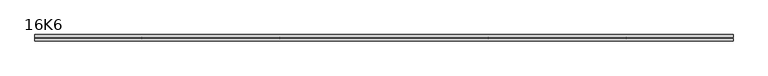
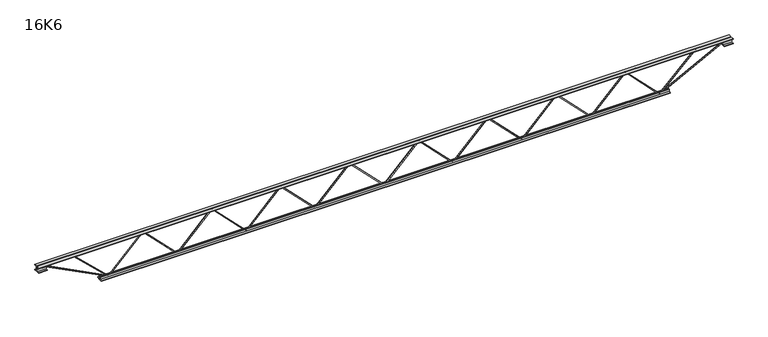
"""IFC4 building model written with IfcOpenShell, lengths in millimetres: beam geometry, 16K6."""

from ifc_helpers import new_model, si_unit, frame, origin, place, context, project, spatial, polyline, outline, extrude, source, transform, mapped, element, save


def beam_16k6_9ea5fe6d(model_context):
    return source(origin(), model_context, "Body", "SweptSolid", [
        extrude(outline(polyline([(-191.9, 1565.25), (-201.4, 1565.25), (-201.4, 1570.4223885), (191.9, 1955.3848885), (191.9, 1957.7401115), (-201.4, 2342.7026115), (-201.4, 2347.875), (-191.9, 2347.875), (-191.9, 2346.6973885), (201.4, 1961.7348885), (201.4, 1951.3901115), (-191.9, 1566.4276115), (-191.9, 1565.25)])), frame((0.0, -4.75, 0.0), z_axis=(0.0, 1.0, 0.0), x_axis=(0.0, 0.0, 1.0)), (0.0, 0.0, 1.0), 9.5),
        extrude(outline(polyline([(-191.9, 782.625), (-201.4, 782.625), (-201.4, 787.7973885), (191.9, 1172.7598885), (191.9, 1175.1151115), (-201.4, 1560.0776115), (-201.4, 1565.25), (-191.9, 1565.25), (-191.9, 1564.0723885), (201.4, 1179.1098885), (201.4, 1168.7651115), (-191.9, 783.8026115), (-191.9, 782.625)])), frame((0.0, -4.75, 0.0), z_axis=(0.0, 1.0, 0.0), x_axis=(0.0, 0.0, 1.0)), (0.0, 0.0, 1.0), 9.5),
        extrude(outline(polyline([(-191.9, 0.0), (-201.4, 0.0), (-201.4, 5.1723885), (191.9, 390.1348885), (191.9, 392.4901115), (-201.4, 777.4526115), (-201.4, 782.625), (-191.9, 782.625), (-191.9, 781.4473885), (201.4, 396.4848885), (201.4, 386.1401115), (-191.9, 1.1776115), (-191.9, 0.0)])), frame((0.0, -4.75, 0.0), z_axis=(0.0, 1.0, 0.0), x_axis=(0.0, 0.0, 1.0)), (0.0, 0.0, 1.0), 9.5),
        extrude(outline(polyline([(-191.9, -782.625), (-201.4, -782.625), (-201.4, -777.4526115), (191.9, -392.4901115), (191.9, -390.1348885), (-201.4, -5.1723885), (-201.4, 0.0), (-191.9, 0.0), (-191.9, -1.1776115), (201.4, -386.1401115), (201.4, -396.4848885), (-191.9, -781.4473885), (-191.9, -782.625)])), frame((0.0, -4.75, 0.0), z_axis=(0.0, 1.0, 0.0), x_axis=(0.0, 0.0, 1.0)), (0.0, 0.0, 1.0), 9.5),
        extrude(outline(polyline([(-191.9, -1565.25), (-201.4, -1565.25), (-201.4, -1560.0776115), (191.9, -1175.1151115), (191.9, -1172.7598885), (-201.4, -787.7973885), (-201.4, -782.625), (-191.9, -782.625), (-191.9, -783.8026115), (201.4, -1168.7651115), (201.4, -1179.1098885), (-191.9, -1564.0723885), (-191.9, -1565.25)])), frame((0.0, -4.75, 0.0), z_axis=(0.0, 1.0, 0.0), x_axis=(0.0, 0.0, 1.0)), (0.0, 0.0, 1.0), 9.5),
        extrude(outline(polyline([(-191.9, -2347.875), (-201.4, -2347.875), (-201.4, -2342.7026115), (191.9, -1957.7401115), (191.9, -1955.3848885), (-201.4, -1570.4223885), (-201.4, -1565.25), (-191.9, -1565.25), (-191.9, -1566.4276115), (201.4, -1951.3901115), (201.4, -1961.7348885), (-191.9, -2346.6973885), (-191.9, -2347.875)])), frame((0.0, -4.75, 0.0), z_axis=(0.0, 1.0, 0.0), x_axis=(0.0, 0.0, 1.0)), (0.0, 0.0, 1.0), 9.5),
        extrude(outline(polyline([(-191.9, 2347.875), (-201.4, 2347.875), (-201.4, 2353.0473885), (191.9, 2738.0098885), (191.9, 2740.3651115), (-201.4, 3125.3276115), (-201.4, 3130.5), (-191.9, 3130.5), (-191.9, 3129.3223885), (201.4, 2744.3598885), (201.4, 2734.0151115), (-191.9, 2349.0526115), (-191.9, 2347.875)])), frame((0.0, -4.75, 0.0), z_axis=(0.0, 1.0, 0.0), x_axis=(0.0, 0.0, 1.0)), (0.0, 0.0, 1.0), 9.5),
        extrude(outline(polyline([(-191.9, -3130.5), (-201.4, -3130.5), (-201.4, -3125.3276115), (191.9, -2740.3651115), (191.9, -2738.0098885), (-201.4, -2353.0473885), (-201.4, -2347.875), (-191.9, -2347.875), (-191.9, -2349.0526115), (201.4, -2734.0151115), (201.4, -2744.3598885), (-191.9, -3129.3223885), (-191.9, -3130.5)])), frame((0.0, -4.75, 0.0), z_axis=(0.0, 1.0, 0.0), x_axis=(0.0, 0.0, 1.0)), (0.0, 0.0, 1.0), 9.5),
        extrude(outline(polyline([(4.75, 203.0), (36.75, 203.0), (36.75, 196.5), (11.25, 196.5), (11.25, 171.0), (4.75, 171.0), (4.75, 203.0)])), frame((-3942.5, 0.0, 0.0), z_axis=(1.0, 0.0, 0.0), x_axis=(0.0, 1.0, 0.0)), (0.0, 0.0, 1.0), 7885.0),
        extrude(outline(polyline([(-4.75, 203.0), (-4.75, 171.0), (-11.25, 171.0), (-11.25, 196.5), (-36.75, 196.5), (-36.75, 203.0), (-4.75, 203.0)])), frame((-3942.5, 0.0, 0.0), z_axis=(1.0, 0.0, 0.0), x_axis=(0.0, 1.0, 0.0)), (0.0, 0.0, 1.0), 7885.0),
        extrude(outline(polyline([(-4.75, 139.5), (-36.75, 139.5), (-36.75, 146.0), (-11.25, 146.0), (-11.25, 171.0), (-4.75, 171.0), (-4.75, 139.5)])), frame((-3942.5, 0.0, 0.0), z_axis=(1.0, 0.0, 0.0), x_axis=(0.0, 1.0, 0.0)), (0.0, 0.0, 1.0), 100.0),
        extrude(outline(polyline([(36.75, 139.5), (4.75, 139.5), (4.75, 171.0), (11.25, 171.0), (11.25, 146.0), (36.75, 146.0), (36.75, 139.5)])), frame((-3942.5, 0.0, 0.0), z_axis=(1.0, 0.0, 0.0), x_axis=(0.0, 1.0, 0.0)), (0.0, 0.0, 1.0), 100.0),
        extrude(outline(polyline([(4.75, 139.5), (4.75, 171.0), (11.25, 171.0), (11.25, 146.0), (36.75, 146.0), (36.75, 139.5), (4.75, 139.5)])), frame((3842.5, 0.0, 0.0), z_axis=(1.0, 0.0, 0.0), x_axis=(0.0, 1.0, 0.0)), (0.0, 0.0, 1.0), 100.0),
        extrude(outline(polyline([(-4.75, 139.5), (-36.75, 139.5), (-36.75, 146.0), (-11.25, 146.0), (-11.25, 171.0), (-4.75, 171.0), (-4.75, 139.5)])), frame((3842.5, 0.0, 0.0), z_axis=(1.0, 0.0, 0.0), x_axis=(0.0, 1.0, 0.0)), (0.0, 0.0, 1.0), 100.0),
        extrude(outline(polyline([(4.75, -203.0), (4.75, -171.0), (11.25, -171.0), (11.25, -196.5), (36.75, -196.5), (36.75, -203.0), (4.75, -203.0)])), frame((-3230.5, 0.0, 0.0), z_axis=(1.0, 0.0, 0.0), x_axis=(0.0, 1.0, 0.0)), (0.0, 0.0, 1.0), 6461.0),
        extrude(outline(polyline([(-4.75, -203.0), (-36.75, -203.0), (-36.75, -196.5), (-11.25, -196.5), (-11.25, -171.0), (-4.75, -171.0), (-4.75, -203.0)])), frame((-3230.5, 0.0, 0.0), z_axis=(1.0, 0.0, 0.0), x_axis=(0.0, 1.0, 0.0)), (0.0, 0.0, 1.0), 6461.0),
        extrude(outline(polyline([(-200.8705467, -3132.6793315), (-192.4294533, -3128.3206685), (175.75, -3841.3460208), (175.75, -3942.5), (166.25, -3942.5), (166.25, -3843.6539792), (-200.8705467, -3132.6793315)])), frame((0.0, -4.75, 0.0), z_axis=(0.0, 1.0, 0.0), x_axis=(0.0, 0.0, 1.0)), (0.0, 0.0, 1.0), 9.5),
        extrude(outline(polyline([(188.7, -3541.7696429), (179.2, -3541.7696429), (179.2, -3530.9732996), (-200.0853053, -3133.7804234), (-193.2146947, -3127.2195766), (188.7, -3527.1659862), (188.7, -3541.7696429)])), frame((0.0, -4.75, 0.0), z_axis=(0.0, 1.0, 0.0), x_axis=(0.0, 0.0, 1.0)), (0.0, 0.0, 1.0), 9.5),
        extrude(outline(polyline([(0.0, -9.5), (0.0, 0.0), (801.3179909, 0.0), (801.3179909, -9.5), (0.0, -9.5)])), frame((3844.6793315, -4.75, 166.7794533), z_axis=(-0.4588066213244971, 0.0, 0.8885361468329803), x_axis=(-0.8885361468329803, 0.0, -0.4588066213244971)), (0.0, 0.0, 1.0), 9.5),
        extrude(outline(polyline([(0.0, -9.5), (0.0, 0.0), (565.1373904, 0.0), (565.1373904, -9.5), (0.0, -9.5)])), frame((3539.6324863, -4.75, 193.2390113), z_axis=(-0.6959369645267337, 0.0, 0.7181028766167951), x_axis=(-0.7181028766167951, 0.0, -0.6959369645267337)), (0.0, 0.0, 1.0), 9.5),
    ])


if __name__ == "__main__":
    model = new_model("IFC4")
    model_context = context("Model", 3, world=origin())
    ifc_project = project(units=[si_unit("LENGTHUNIT", "METRE", prefix="MILLI")], contexts=[model_context])
    site = spatial("IfcSite", under=ifc_project)
    building = spatial("IfcBuilding", under=site)
    placement = place(None, origin())
    beam_16k6_shape = beam_16k6_9ea5fe6d(model_context)
    element("IfcBeam", 1, ObjectType="16K6", at=placement, inside=building, context=model_context, shape_type="MappedRepresentation", body=[
        mapped(beam_16k6_shape, transform((0.0, 0.0, 0.0), x_axis=(1.0, 0.0, 0.0), y_axis=(0.0, 1.0, 0.0), z_axis=(0.0, 0.0, 1.0))),
    ])
    save(model, "model.ifc")
